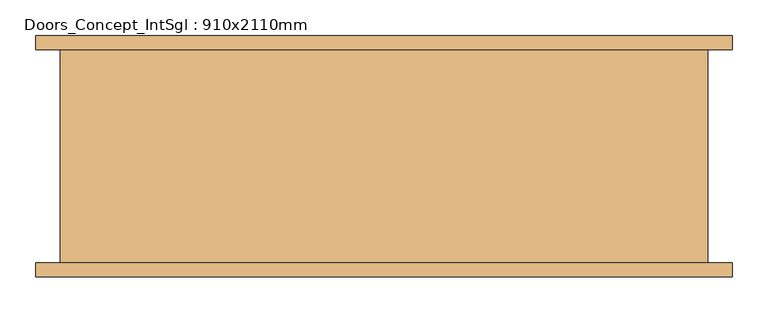
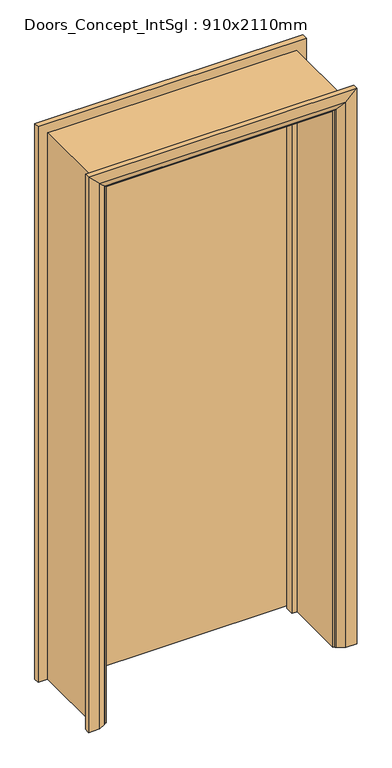
"""IFC4 building model written with IfcOpenShell, lengths in millimetres: door geometry, Doors_Concept_IntSgl : 910x2110mm."""

from ifc_helpers import new_model, si_unit, frame, origin, place, context, project, spatial, polyline, circle_curve, ellipse_curve, outline, extrude, faceted_brep, source, transform, mapped, element, save
from ifc_brep_helpers import plane_surface, cylinder_surface, advanced_brep


def doors_concept_intsgl_910x2110mm_b3dd7a0d(model_context):
    return source(origin(), model_context, "Body", "SolidModel", [
        extrude(outline(polyline([(413.0, 112.0), (-413.0, 112.0), (-413.0, 150.0), (413.0, 150.0), (413.0, 112.0)])), frame((0.0, 0.0, 8.0), z_axis=(0.0, 0.0, 1.0), x_axis=(1.0, 0.0, 0.0)), (0.0, 0.0, 1.0), 2060.0),
        advanced_brep(
        [(490.0, 170.0, 0.0), (490.0, 150.0, 0.0), (420.0, 150.0, 0.0), (424.0, 156.0, 0.0), (450.0, 170.0, 0.0), (490.0, 170.0, 2145.0), (490.0, 150.0, 2145.0), (-490.0, 150.0, 2145.0), (-490.0, 150.0, 0.0), (-420.0, 150.0, 0.0), (-420.0, 150.0, 2075.0), (420.0, 150.0, 2075.0), (424.0, 156.0, 2079.0), (450.0, 170.0, 2105.0), (-450.0, 170.0, 2105.0), (-450.0, 170.0, 0.0), (-490.0, 170.0, 0.0), (-490.0, 170.0, 2145.0), (-424.0, 156.0, 0.0), (-424.0, 156.0, 2079.0)],
        [
            (0, 1),
            (1, 2),
            (2, 3, circle_curve(frame((428.0, 149.0, 0.0), z_axis=(0.0, 0.0, -1.0), x_axis=(1.0, 0.0, 0.0)), 8.0622577)),
            (3, 4),
            (4, 0),
            (0, 5),
            (5, 6),
            (6, 1),
            (6, 7),
            (7, 8),
            (8, 9),
            (9, 10),
            (10, 11),
            (11, 2),
            (11, 12, ellipse_curve(frame((428.0, 149.0, 2083.0), z_axis=(0.7071067811865475, 0.0, -0.7071067811865475), x_axis=(-0.7071067811865474, 0.0, -0.7071067811865476)), 11.4017543, 8.0622577)),
            (12, 3),
            (12, 13),
            (13, 4),
            (13, 14),
            (14, 15),
            (15, 16),
            (16, 17),
            (17, 5),
            (7, 17),
            (16, 8),
            (15, 18),
            (18, 9, circle_curve(frame((-428.0, 149.0, 0.0), z_axis=(0.0, 0.0, -1.0), x_axis=(-1.0, 0.0, 0.0)), 8.0622577)),
            (19, 10, ellipse_curve(frame((-428.0, 149.0, 2083.0), z_axis=(-0.7071067811865475, 0.0, -0.7071067811865475), x_axis=(-0.7071067811865474, 0.0, 0.7071067811865476)), 11.4017543, 8.0622577)),
            (18, 19),
            (14, 19),
            (19, 12),
        ],
        [
            plane_surface(frame((420.0, 150.0, 0.0), z_axis=(0.0, 0.0, -1.0), x_axis=(0.0, -1.0, 0.0))),
            plane_surface(frame((490.0, 170.0, 0.0), z_axis=(1.0, 0.0, 0.0), x_axis=(0.0, 0.0, 1.0))),
            plane_surface(frame((490.0, 150.0, 0.0), z_axis=(0.0, -1.0, 0.0), x_axis=(0.0, 0.0, 1.0))),
            cylinder_surface(frame((428.0, 149.0, 0.0), z_axis=(0.0, 0.0, -1.0), x_axis=(1.0, 0.0, 0.0)), 8.0622577),
            plane_surface(frame((424.0, 156.0, 0.0), z_axis=(-0.4740998230350126, 0.880471099922178, 0.0), x_axis=(0.0, 0.0, 1.0))),
            plane_surface(frame((450.0, 170.0, 0.0), z_axis=(0.0, 1.0, 0.0), x_axis=(0.0, 0.0, 1.0))),
            plane_surface(frame((-490.0, 170.0, 2145.0), z_axis=(-1.0, 0.0, 0.0), x_axis=(0.0, 0.0, -1.0))),
            plane_surface(frame((-420.0, 150.0, 0.0), z_axis=(0.0, 0.0, -1.0), x_axis=(0.0, -1.0, 0.0))),
            cylinder_surface(frame((-428.0, 149.0, 2075.0), z_axis=(0.0, 0.0, 1.0), x_axis=(-1.0, 0.0, 0.0)), 8.0622577),
            plane_surface(frame((-424.0, 156.0, 2079.0), z_axis=(0.47409982303501824, 0.8804710999221749, 0.0), x_axis=(0.0, 0.0, -1.0))),
            plane_surface(frame((490.0, 170.0, 2145.0), z_axis=(0.0, 0.0, 1.0), x_axis=(-1.0, 0.0, 0.0))),
            cylinder_surface(frame((420.0, 149.0, 2083.0), z_axis=(1.0, 0.0, 0.0), x_axis=(0.0, 0.0, 1.0)), 8.0622577),
            plane_surface(frame((424.0, 156.0, 2079.0), z_axis=(0.0, 0.8804710999221764, -0.4740998230350154), x_axis=(-1.0, 0.0, 0.0))),
        ],
        [
            (0, [[1, 2, 3, 4, 5]]),
            (1, [[-1, 6, 7, 8]]),
            (2, [[-2, -8, 9, 10, 11, 12, 13, 14]]),
            (3, [[-3, -14, 15, 16]]),
            (4, [[-4, -16, 17, 18]]),
            (5, [[-5, -18, 19, 20, 21, 22, 23, -6]]),
            (6, [[24, -22, 25, -10]]),
            (7, [[-21, 26, 27, -11, -25]]),
            (8, [[28, -12, -27, 29]]),
            (9, [[30, -29, -26, -20]]),
            (10, [[-7, -23, -24, -9]]),
            (11, [[-15, -13, -28, 31]]),
            (12, [[-17, -31, -30, -19]]),
        ],
    ),
        extrude(outline(polyline([(0.0, -415.0), (0.0, -396.0), (2051.0, -396.0), (2051.0, 396.0), (0.0, 396.0), (0.0, 415.0), (2070.0, 415.0), (2070.0, -415.0), (0.0, -415.0)])), frame((0.0, 78.0, 0.0), z_axis=(0.0, 1.0, 0.0), x_axis=(0.0, 0.0, 1.0)), (0.0, 0.0, 1.0), 32.0),
        advanced_brep(
        [(-490.0, -170.0, 0.0), (-490.0, -150.0, 0.0), (-420.0, -150.0, 0.0), (-424.0, -156.0, 0.0), (-450.0, -170.0, 0.0), (-490.0, -170.0, 2145.0), (-490.0, -150.0, 2145.0), (-420.0, -150.0, 2075.0), (-424.0, -156.0, 2079.0), (-450.0, -170.0, 2105.0), (490.0, -170.0, 0.0), (450.0, -170.0, 0.0), (424.0, -156.0, 0.0), (420.0, -150.0, 0.0), (490.0, -150.0, 0.0), (490.0, -170.0, 2145.0), (450.0, -170.0, 2105.0), (424.0, -156.0, 2079.0), (420.0, -150.0, 2075.0), (490.0, -150.0, 2145.0)],
        [
            (0, 1),
            (1, 2),
            (2, 3, circle_curve(frame((-428.0, -149.0, 0.0), z_axis=(0.0, 0.0, -1.0), x_axis=(-1.0, 0.0, 0.0)), 8.0622577)),
            (3, 4),
            (4, 0),
            (0, 5),
            (5, 6),
            (6, 1),
            (6, 7),
            (7, 2),
            (7, 8, ellipse_curve(frame((-428.0, -149.0, 2083.0), z_axis=(-0.7071067811865475, 0.0, -0.7071067811865475), x_axis=(0.7071067811865474, 0.0, -0.7071067811865476)), 11.4017543, 8.0622577)),
            (8, 3),
            (8, 9),
            (9, 4),
            (9, 5),
            (10, 11),
            (11, 12),
            (12, 13, circle_curve(frame((428.0, -149.0, 0.0), z_axis=(0.0, 0.0, -1.0), x_axis=(1.0, 0.0, 0.0)), 8.0622577)),
            (13, 14),
            (14, 10),
            (15, 16),
            (16, 11),
            (10, 15),
            (16, 17),
            (17, 12),
            (17, 18, ellipse_curve(frame((428.0, -149.0, 2083.0), z_axis=(0.7071067811865475, 0.0, -0.7071067811865475), x_axis=(0.7071067811865474, 0.0, 0.7071067811865476)), 11.4017543, 8.0622577)),
            (18, 13),
            (18, 19),
            (19, 14),
            (19, 15),
            (5, 15),
            (19, 6),
            (18, 7),
            (17, 8),
            (16, 9),
        ],
        [
            plane_surface(frame((-420.0, -222.8010989, 0.0), z_axis=(0.0, 0.0, -1.0), x_axis=(1.0, 0.0, 0.0))),
            plane_surface(frame((-490.0, -170.0, 0.0), z_axis=(-1.0, 0.0, 0.0), x_axis=(0.0, 0.0, 1.0))),
            plane_surface(frame((-490.0, -150.0, 0.0), z_axis=(0.0, 1.0, 0.0), x_axis=(0.0, 0.0, 1.0))),
            cylinder_surface(frame((-428.0, -149.0, 0.0), z_axis=(0.0, 0.0, -1.0), x_axis=(-1.0, 0.0, 0.0)), 8.0622577),
            plane_surface(frame((-424.0, -156.0, 0.0), z_axis=(0.4740998230350183, -0.8804710999221749, 0.0), x_axis=(0.0, 0.0, 1.0))),
            plane_surface(frame((-450.0, -170.0, 0.0), z_axis=(0.0, -1.0, 0.0), x_axis=(0.0, 0.0, 1.0))),
            plane_surface(frame((420.0, -222.8010989, 0.0), z_axis=(0.0, 0.0, -1.0), x_axis=(-1.0, 0.0, 0.0))),
            plane_surface(frame((450.0, -170.0, 2105.0), z_axis=(0.0, -1.0, 0.0), x_axis=(0.0, 0.0, -1.0))),
            plane_surface(frame((424.0, -156.0, 2079.0), z_axis=(-0.4740998230350183, -0.8804710999221749, 0.0), x_axis=(0.0, 0.0, -1.0))),
            cylinder_surface(frame((428.0, -149.0, 2075.0), z_axis=(0.0, 0.0, 1.0), x_axis=(1.0, 0.0, 0.0)), 8.0622577),
            plane_surface(frame((490.0, -150.0, 2145.0), z_axis=(0.0, 1.0, 0.0), x_axis=(0.0, 0.0, -1.0))),
            plane_surface(frame((490.0, -170.0, 2145.0), z_axis=(1.0, 0.0, 0.0), x_axis=(0.0, 0.0, -1.0))),
            plane_surface(frame((-490.0, -170.0, 2145.0), z_axis=(0.0, 0.0, 1.0), x_axis=(1.0, 0.0, 0.0))),
            plane_surface(frame((-490.0, -150.0, 2145.0), z_axis=(0.0, 1.0, 0.0), x_axis=(1.0, 0.0, 0.0))),
            cylinder_surface(frame((-420.0, -149.0, 2083.0), z_axis=(-1.0, 0.0, 0.0), x_axis=(0.0, 0.0, 1.0)), 8.0622577),
            plane_surface(frame((-424.0, -156.0, 2079.0), z_axis=(0.0, -0.8804710999221749, -0.4740998230350183), x_axis=(1.0, 0.0, 0.0))),
            plane_surface(frame((-450.0, -170.0, 2105.0), z_axis=(0.0, -1.0, 0.0), x_axis=(1.0, 0.0, 0.0))),
        ],
        [
            (0, [[1, 2, 3, 4, 5]]),
            (1, [[-1, 6, 7, 8]]),
            (2, [[-2, -8, 9, 10]]),
            (3, [[-3, -10, 11, 12]]),
            (4, [[-4, -12, 13, 14]]),
            (5, [[-5, -14, 15, -6]]),
            (6, [[16, 17, 18, 19, 20]]),
            (7, [[21, 22, -16, 23]]),
            (8, [[24, 25, -17, -22]]),
            (9, [[26, 27, -18, -25]]),
            (10, [[28, 29, -19, -27]]),
            (11, [[30, -23, -20, -29]]),
            (12, [[-7, 31, -30, 32]]),
            (13, [[-9, -32, -28, 33]]),
            (14, [[-11, -33, -26, 34]]),
            (15, [[-13, -34, -24, 35]]),
            (16, [[-15, -35, -21, -31]]),
        ],
    ),
        faceted_brep([(-415.0, -150.0, 0.0), (-455.0, -150.0, 0.0), (-455.0, 150.0, 0.0), (-415.0, 150.0, 0.0), (-415.0, -150.0, 2070.0), (-455.0, -150.0, 2110.0), (-455.0, 150.0, 2110.0), (-415.0, 150.0, 2070.0), (415.0, -150.0, 0.0), (415.0, 150.0, 0.0), (455.0, 150.0, 0.0), (455.0, -150.0, 0.0), (415.0, -150.0, 2070.0), (415.0, 150.0, 2070.0), (455.0, 150.0, 2110.0), (455.0, -150.0, 2110.0)], [[[0, 1, 2, 3]], [[1, 0, 4, 5]], [[2, 1, 5, 6]], [[3, 2, 6, 7]], [[0, 3, 7, 4]], [[8, 9, 10, 11]], [[12, 13, 9, 8]], [[13, 14, 10, 9]], [[14, 15, 11, 10]], [[15, 12, 8, 11]], [[5, 4, 12, 15]], [[6, 5, 15, 14]], [[7, 6, 14, 13]], [[4, 7, 13, 12]]]),
    ])


if __name__ == "__main__":
    model = new_model("IFC4")
    model_context = context("Model", 3, world=origin())
    ifc_project = project(units=[si_unit("LENGTHUNIT", "METRE", prefix="MILLI")], contexts=[model_context])
    site = spatial("IfcSite", under=ifc_project)
    building = spatial("IfcBuilding", under=site)
    placement = place(None, origin())
    doors_concept_intsgl_910x2110mm_shape = doors_concept_intsgl_910x2110mm_b3dd7a0d(model_context)
    element("IfcDoor", 1, ObjectType="Doors_Concept_IntSgl : 910x2110mm", at=placement, inside=building, context=model_context, shape_type="MappedRepresentation", body=[
        mapped(doors_concept_intsgl_910x2110mm_shape, transform((0.0, 0.0, 0.0), x_axis=(1.0, 0.0, 0.0), y_axis=(0.0, 1.0, 0.0), z_axis=(0.0, 0.0, 1.0))),
    ])
    save(model, "model.ifc")
